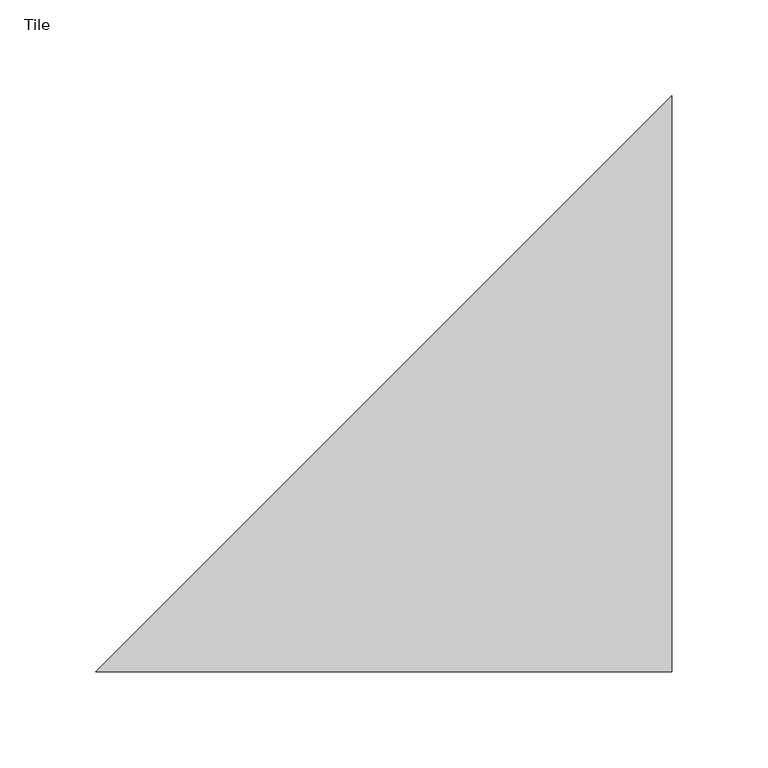
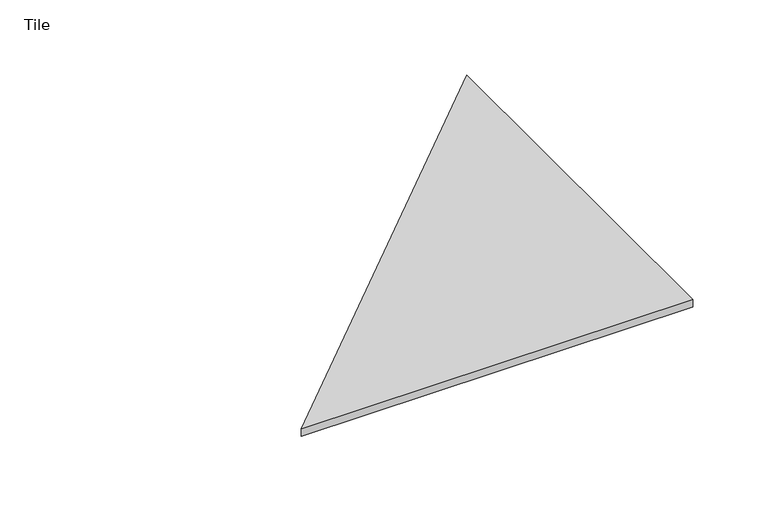
"""IFC4 building model written with IfcOpenShell, lengths in millimetres: proxy geometry, Tile."""

from ifc_helpers import new_model, si_unit, origin, origin_with_axes, place, context, project, spatial, polyline, outline, extrude, source, transform, mapped, element, save


def tile_a7d3899f(model_context):
    return source(origin(), model_context, "Body", "SweptSolid", [
        extrude(outline(polyline([(300.0, -300.0), (0.0, -300.0), (300.0, 0.0), (300.0, -300.0)])), origin_with_axes(), (0.0, 0.0, 1.0), 6.0),
    ])


if __name__ == "__main__":
    model = new_model("IFC4")
    model_context = context("Model", 3, world=origin())
    ifc_project = project(units=[si_unit("LENGTHUNIT", "METRE", prefix="MILLI")], contexts=[model_context])
    site = spatial("IfcSite", under=ifc_project)
    building = spatial("IfcBuilding", under=site)
    placement = place(None, origin())
    tile_shape = tile_a7d3899f(model_context)
    element("IfcBuildingElementProxy", 1, Name="Tile", ObjectType="Tile", at=placement, inside=building, context=model_context, shape_type="MappedRepresentation", body=[
        mapped(tile_shape, transform((0.0, 0.0, 0.0), x_axis=(1.0, 0.0, 0.0), y_axis=(0.0, 1.0, 0.0), z_axis=(0.0, 0.0, 1.0))),
    ])
    save(model, "model.ifc")
